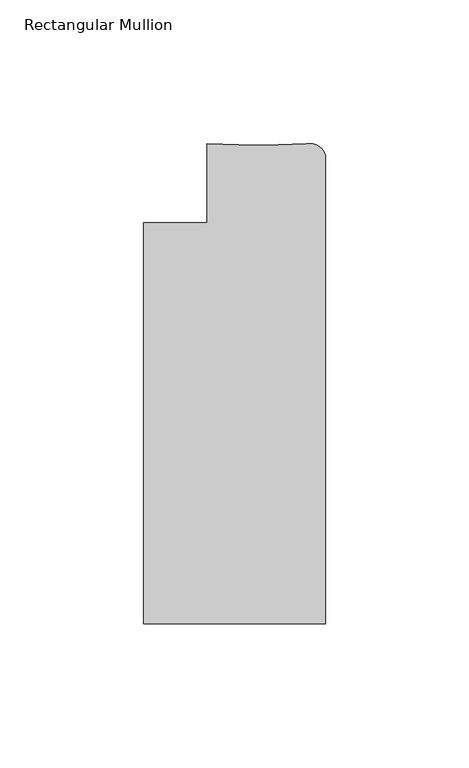
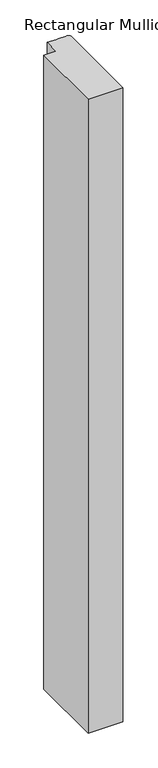
"""IFC4 building model written with IfcOpenShell, lengths in millimetres: member geometry, Rectangular Mullion."""

from ifc_helpers import new_model, si_unit, point, frame, frame_2d, origin, place, context, project, spatial, polyline, circle_curve, trimmed, segment, composite_curve, outline, extrude, source, transform, mapped, element, save


def rectangular_mullion_8b7134a5(model_context):
    return source(origin(), model_context, "Body", "SweptSolid", [
        extrude(outline(composite_curve([segment(polyline([(-63.5, -152.3929896), (-63.5, -12.6929946), (-41.2794957, -12.6929946), (-41.2794957, 14.8669145), (-24.990061, 14.4215126), (-21.1935714, 14.4215126), (-6.6765587, 14.8549516)]), True, "CONTINUOUS"), segment(trimmed(circle_curve(frame_2d((-5.5577367, 9.027811)), 5.9335766), [point((-6.6765587, 14.8549516))], [point((0.0, 11.1060059))], False, "CARTESIAN"), True, "CONTINUOUS"), segment(polyline([(0.0, 11.1060059), (0.0, -152.3929896), (-63.5, -152.3929896)]), True, "CONTINUOUS")], self_intersect=False)), frame((0.0, 0.0, -1219.2), z_axis=(0.0, 0.0, 1.0), x_axis=(1.0, 0.0, 0.0)), (0.0, 0.0, 1.0), 1219.2),
    ])


if __name__ == "__main__":
    model = new_model("IFC4")
    model_context = context("Model", 3, world=origin())
    ifc_project = project(units=[si_unit("LENGTHUNIT", "METRE", prefix="MILLI")], contexts=[model_context])
    site = spatial("IfcSite", under=ifc_project)
    building = spatial("IfcBuilding", under=site)
    placement = place(None, origin())
    rectangular_mullion_shape = rectangular_mullion_8b7134a5(model_context)
    element("IfcMember", 1, ObjectType="Rectangular Mullion", at=placement, inside=building, context=model_context, shape_type="MappedRepresentation", body=[
        mapped(rectangular_mullion_shape, transform((0.0, 0.0, 0.0), x_axis=(1.0, 0.0, 0.0), y_axis=(0.0, 1.0, 0.0), z_axis=(0.0, 0.0, 1.0))),
    ])
    save(model, "model.ifc")
